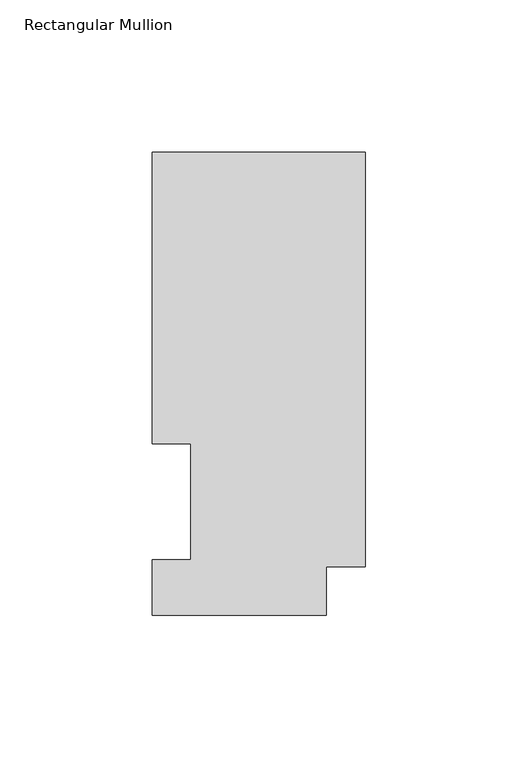
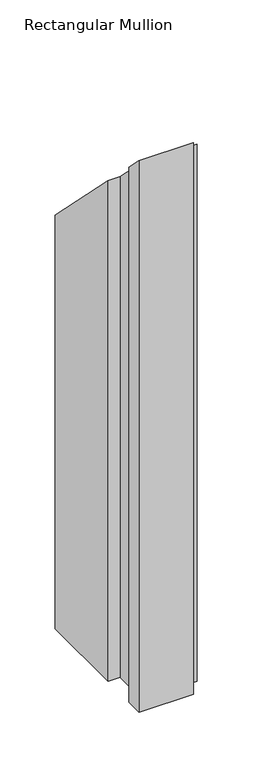
"""IFC4 building model written with IfcOpenShell, lengths in millimetres: member geometry, Rectangular Mullion."""

from ifc_helpers import new_model, si_unit, origin, place, context, project, spatial, faceted_brep, source, transform, mapped, element, save


def rectangular_mullion_9b440486(model_context):
    return source(origin(), model_context, "Body", "Brep", [
        faceted_brep([(-69.9516, 56.35625, -609.56825), (-69.9516, 151.98725, -609.56825), (0.0, 151.98725, -609.56825), (0.0, 15.86865, -609.56825), (-12.8016, 15.86865, -609.56825), (-12.8016, -0.03175, -609.56825), (-69.9516, -0.03175, -609.56825), (-69.9516, 18.25625, -609.56825), (-57.2516, 18.25625, -609.56825), (-57.2516, 56.35625, -609.56825), (-57.2516, 56.35625, -56.35625), (-69.9516, 56.35625, -56.35625), (-57.2516, 18.25625, -18.25625), (-69.9516, 18.25625, -18.25625), (-69.9516, -0.03175, 0.03175), (-12.8016, -0.03175, 0.03175), (-12.8016, 15.86865, -15.86865), (0.0, 15.86865, -15.86865), (0.0, 151.98725, -151.98725), (-69.9516, 151.98725, -151.98725)], [[[0, 1, 2, 3, 4, 5, 6, 7, 8, 9]], [[10, 11, 0, 9]], [[12, 10, 9, 8]], [[13, 12, 8, 7]], [[14, 13, 7, 6]], [[15, 14, 6, 5]], [[16, 15, 5, 4]], [[17, 16, 4, 3]], [[18, 17, 3, 2]], [[19, 18, 2, 1]], [[11, 19, 1, 0]], [[11, 10, 12, 13, 14, 15, 16, 17, 18, 19]]]),
    ])


if __name__ == "__main__":
    model = new_model("IFC4")
    model_context = context("Model", 3, world=origin())
    ifc_project = project(units=[si_unit("LENGTHUNIT", "METRE", prefix="MILLI")], contexts=[model_context])
    site = spatial("IfcSite", under=ifc_project)
    building = spatial("IfcBuilding", under=site)
    placement = place(None, origin())
    rectangular_mullion_shape = rectangular_mullion_9b440486(model_context)
    element("IfcMember", 1, ObjectType="Rectangular Mullion", at=placement, inside=building, context=model_context, shape_type="MappedRepresentation", body=[
        mapped(rectangular_mullion_shape, transform((0.0, 0.0, 0.0), x_axis=(1.0, 0.0, 0.0), y_axis=(0.0, 1.0, 0.0), z_axis=(0.0, 0.0, 1.0))),
    ])
    save(model, "model.ifc")
